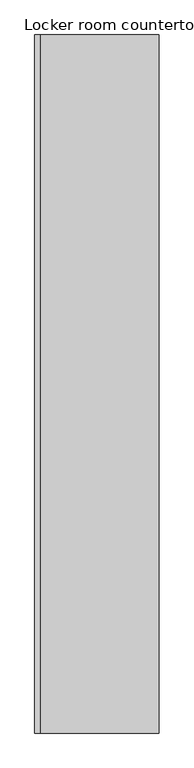
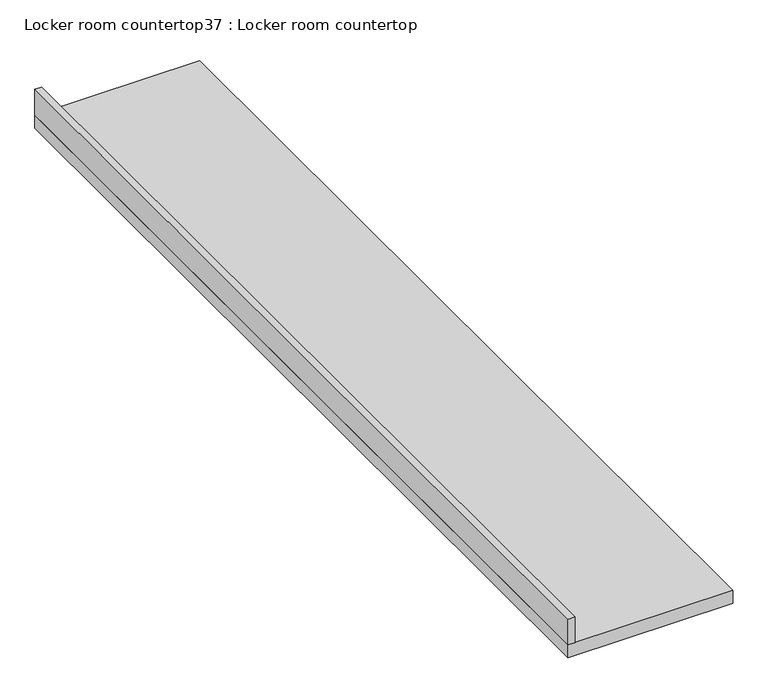
"""IFC4 building model written with IfcOpenShell, lengths in millimetres: furniture geometry, Locker room countertop37 : Locker room countertop."""

from ifc_helpers import new_model, si_unit, frame, origin, place, context, project, spatial, polyline, outline, extrude, source, transform, mapped, element, save


def locker_room_countertop37_locker_room_countertop_3b5be95d(model_context):
    return source(origin(), model_context, "Body", "SweptSolid", [
        extrude(outline(polyline([(253506.0754676, -257234.5455223), (253480.6754676, -257234.5455223), (253480.6754676, -253811.8955223), (253506.0754676, -253811.8955223), (253506.0754676, -257234.5455223)])), frame((0.0, 0.0, 914.4), z_axis=(0.0, 0.0, 1.0), x_axis=(1.0, 0.0, 0.0)), (0.0, 0.0, 1.0), 101.6),
        extrude(outline(polyline([(254090.2754676, -257234.5455223), (253480.6754676, -257234.5455223), (253480.6754676, -253811.8955223), (254090.2754676, -253811.8955223), (254090.2754676, -257234.5455223)])), frame((0.0, 0.0, 863.6), z_axis=(0.0, 0.0, 1.0), x_axis=(1.0, 0.0, 0.0)), (0.0, 0.0, 1.0), 50.8),
    ])


if __name__ == "__main__":
    model = new_model("IFC4")
    model_context = context("Model", 3, world=origin())
    ifc_project = project(units=[si_unit("LENGTHUNIT", "METRE", prefix="MILLI")], contexts=[model_context])
    site = spatial("IfcSite", under=ifc_project)
    building = spatial("IfcBuilding", under=site)
    placement = place(None, origin())
    locker_room_countertop37_locker_room_countertop_shape = locker_room_countertop37_locker_room_countertop_3b5be95d(model_context)
    element("IfcFurniture", 1, ObjectType="Locker room countertop37 : Locker room countertop", at=placement, inside=building, context=model_context, shape_type="MappedRepresentation", body=[
        mapped(locker_room_countertop37_locker_room_countertop_shape, transform((0.0, 0.0, 0.0), x_axis=(1.0, 0.0, 0.0), y_axis=(0.0, 1.0, 0.0), z_axis=(0.0, 0.0, 1.0))),
    ])
    save(model, "model.ifc")
